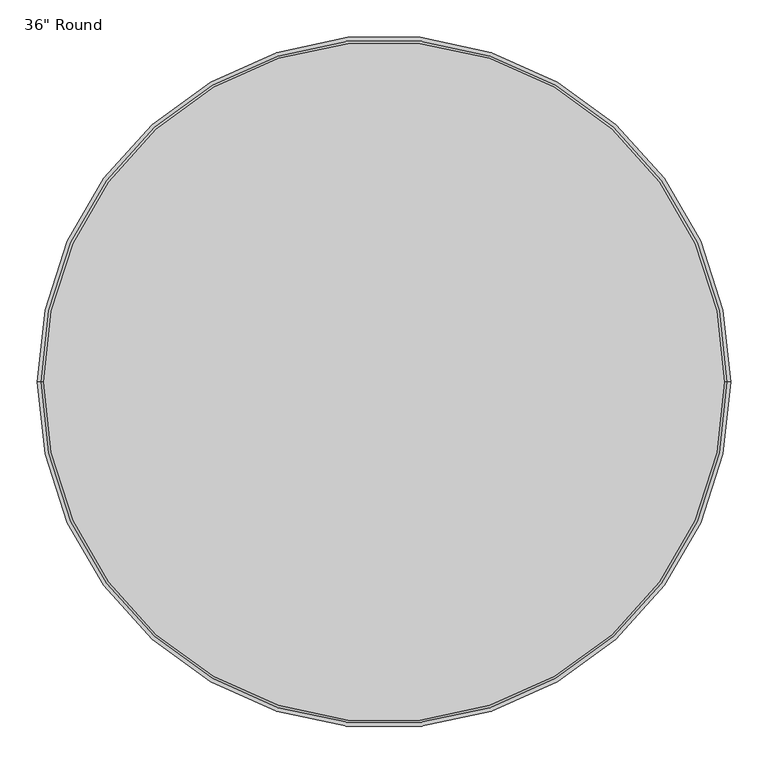
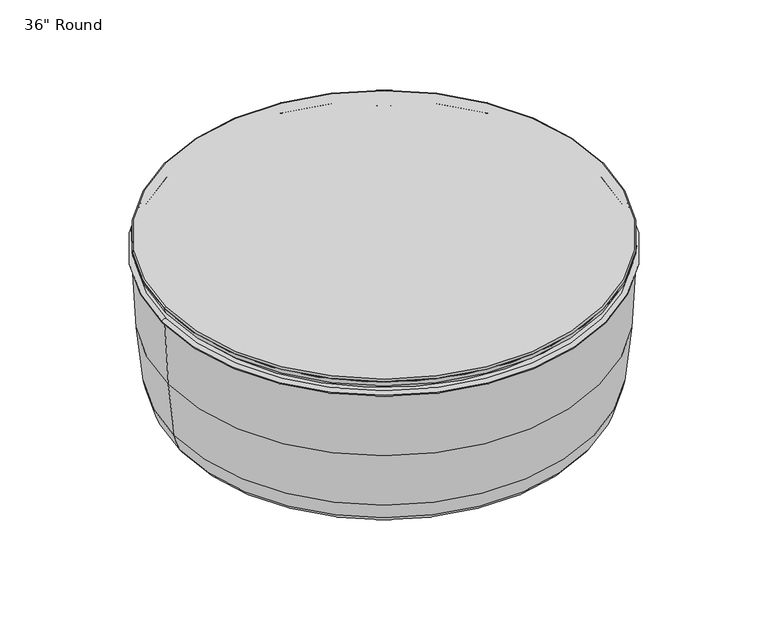
"""IFC4 building model written with IfcOpenShell, lengths in millimetres: furniture geometry."""

import ifcopenshell
import ifcopenshell.guid

model = None  # the IFC model being written
_history = None  # IfcOwnerHistory: only IFC2X3 demands one
_inside = {}  # id of a spatial element -> (the spatial element, [elements in it])
_under = {}  # id of a project, library or spatial element -> (it, [spatial elements below it])
_declared = {}  # id of a project -> (the project, [libraries it declares])
_typed = {}  # id of a type object -> (the type object, [elements of that type])
_made_of = {}  # id of a material, layer set ... -> (it, [elements and type objects made of it])


def new_model(schema):
    """Start an empty IFC model of exactly this schema.

    Asked for "IFC4X3", IfcOpenShell would pick the latest addendum, in which some entities
    have other attributes; the version numbers below select the first issue.
    IFC2X3 requires an IfcOwnerHistory on every rooted entity: one is made here for all.
    """
    global model, _history
    if schema == "IFC4X3":
        model = ifcopenshell.file(schema_version=(4, 3, 0, 0))
    else:
        model = ifcopenshell.file(schema=schema)
    _inside.clear()
    _under.clear()
    _declared.clear()
    _typed.clear()
    _made_of.clear()
    _history = None
    if model.schema == "IFC2X3":
        org = make("IfcOrganization", Name="unknown")
        user = make(
            "IfcPersonAndOrganization",
            ThePerson=make("IfcPerson", FamilyName="unknown"),
            TheOrganization=org,
        )
        app = make(
            "IfcApplication",
            ApplicationDeveloper=org,
            Version="unknown",
            ApplicationFullName="unknown",
            ApplicationIdentifier="unknown",
        )
        _history = make(
            "IfcOwnerHistory",
            OwningUser=user,
            OwningApplication=app,
            ChangeAction="ADDED",
            CreationDate=0,
        )
    return model


def make(cls, **values):
    """One entity of the class cls with the attributes given. An attribute that is None is left unset."""
    return model.create_entity(
        cls, **{name: value for name, value in values.items() if value is not None}
    )


def rooted(cls, **values):
    """An entity with a GlobalId (a new one), such as an element, a storey or a relation."""
    return make(cls, GlobalId=ifcopenshell.guid.new(), OwnerHistory=_history, **values)


def si_unit(unit_type, name, prefix=None):
    """IfcSIUnit, for example si_unit("LENGTHUNIT", "METRE", prefix="MILLI")."""
    return make("IfcSIUnit", UnitType=unit_type, Prefix=prefix, Name=name)


def assignment(units):
    """IfcUnitAssignment: the units of a project."""
    return None if units is None else make("IfcUnitAssignment", Units=units)


def point(xyz):
    """IfcCartesianPoint."""
    return None if xyz is None else make("IfcCartesianPoint", Coordinates=xyz)


def direction(xyz):
    """IfcDirection."""
    return None if xyz is None else make("IfcDirection", DirectionRatios=xyz)


def frame(location, z_axis=None, x_axis=None):
    """IfcAxis2Placement3D, a coordinate frame: its origin and axes. An axis left out is left unset."""
    return make(
        "IfcAxis2Placement3D",
        Location=point(location),
        Axis=direction(z_axis),
        RefDirection=direction(x_axis),
    )


def origin():
    """The frame at (0, 0, 0) with its axes left unset."""
    return frame((0.0, 0.0, 0.0))


def origin_with_axes():
    """The frame at (0, 0, 0) with the z axis (0, 0, 1) and the x axis (1, 0, 0) written out."""
    return frame((0.0, 0.0, 0.0), z_axis=(0.0, 0.0, 1.0), x_axis=(1.0, 0.0, 0.0))


def place(relative_to, where):
    """IfcLocalPlacement: puts the frame where relative to a parent placement (None: the world)."""
    return make(
        "IfcLocalPlacement", PlacementRelTo=relative_to, RelativePlacement=where
    )


def context(
    kind, dimensions, precision=None, world=None, true_north=None, identifier=None
):
    """IfcGeometricRepresentationContext, for example the 3D "Model" context."""
    return make(
        "IfcGeometricRepresentationContext",
        ContextIdentifier=identifier,
        ContextType=kind,
        CoordinateSpaceDimension=dimensions,
        Precision=precision,
        WorldCoordinateSystem=world,
        TrueNorth=true_north,
    )


def project(units=None, contexts=None):
    """IfcProject with its units and contexts."""
    return rooted(
        "IfcProject",
        Name="project",
        RepresentationContexts=contexts,
        UnitsInContext=assignment(units),
    )


def spatial(cls, under=None, at=None, **own):
    """A site, building, storey or space (cls), placed at a placement, below another one or the project."""
    s = rooted(cls, ObjectPlacement=at, **own)
    if under is not None:
        _under.setdefault(under.id(), (under, []))[1].append(s)
    return s


def polyline(points):
    """IfcPolyline through the points."""
    return make("IfcPolyline", Points=[point(p) for p in points])


def circle_curve(where, radius):
    """IfcCircle in the frame where."""
    return make("IfcCircle", Position=where, Radius=radius)


def ellipse_curve(where, semi_axis1, semi_axis2):
    """IfcEllipse in the frame where."""
    return make(
        "IfcEllipse", Position=where, SemiAxis1=semi_axis1, SemiAxis2=semi_axis2
    )


def trimmed(basis, trim1, trim2, sense, master):
    """IfcTrimmedCurve: the piece of a basis curve between two trims."""
    return make(
        "IfcTrimmedCurve",
        BasisCurve=basis,
        Trim1=trim1,
        Trim2=trim2,
        SenseAgreement=sense,
        MasterRepresentation=master,
    )


def shape(context_of_items, identifier, shape_type, items):
    """IfcShapeRepresentation: the items that make up one representation, for example the "Body"."""
    return make(
        "IfcShapeRepresentation",
        ContextOfItems=context_of_items,
        RepresentationIdentifier=identifier,
        RepresentationType=shape_type,
        Items=items,
    )


def source(mapping_origin, context_of_items, identifier, shape_type, items):
    """IfcRepresentationMap: a shape defined once, which mapped items show again and again."""
    return make(
        "IfcRepresentationMap",
        MappingOrigin=mapping_origin,
        MappedRepresentation=shape(context_of_items, identifier, shape_type, items),
    )


def transform(
    local_origin,
    x_axis=None,
    y_axis=None,
    z_axis=None,
    scale=None,
    scale2=None,
    scale3=None,
    uniform=True,
):
    """IfcCartesianTransformationOperator3D, or its non-uniform kind. x_axis, y_axis, z_axis: its Axis1, 2, 3."""
    if uniform:
        return make(
            "IfcCartesianTransformationOperator3D",
            Axis1=direction(x_axis),
            Axis2=direction(y_axis),
            LocalOrigin=point(local_origin),
            Scale=scale,
            Axis3=direction(z_axis),
        )
    return make(
        "IfcCartesianTransformationOperator3DnonUniform",
        Axis1=direction(x_axis),
        Axis2=direction(y_axis),
        LocalOrigin=point(local_origin),
        Scale=scale,
        Axis3=direction(z_axis),
        Scale2=scale2,
        Scale3=scale3,
    )


def mapped(mapping_source, mapping_target):
    """IfcMappedItem: shows the shape of a source again, moved by a transform."""
    return make(
        "IfcMappedItem", MappingSource=mapping_source, MappingTarget=mapping_target
    )


def made_of(thing, what):
    """Note that an element or type object is made of a material, layer set ...; save() writes the relation."""
    if what is not None:
        _made_of.setdefault(what.id(), (what, []))[1].append(thing)
    return thing


def element(
    cls,
    number,
    at=None,
    inside=None,
    cuts=None,
    type_object=None,
    material=None,
    context=None,
    identifier="Body",
    shape_type=None,
    held_by="IfcProductDefinitionShape",
    body=None,
    shapes=None,
    **own,
):
    """One element of the class cls, such as IfcWall. Its Tag is "e" and its number.

    at: its placement. inside: the storey or other place that contains it. cuts: it is an
    opening in that element (IfcRelVoidsElement). A single representation is given by context,
    identifier, shape_type and body (its items); several are given by shapes. held_by: the class
    of the entity that holds the representations. save() writes the other relations.
    """
    e = rooted(cls, Tag="e%d" % number, ObjectPlacement=at, **own)
    if body is not None:
        shapes = [shape(context, identifier, shape_type, body)]
    if shapes is not None:
        e.Representation = make(held_by, Representations=shapes)
    if inside is not None:
        _inside.setdefault(inside.id(), (inside, []))[1].append(e)
    if cuts is not None:
        rooted(
            "IfcRelVoidsElement", RelatingBuildingElement=cuts, RelatedOpeningElement=e
        )
    if type_object is not None:
        _typed.setdefault(type_object.id(), (type_object, []))[1].append(e)
    return made_of(e, material)


def aggregate(whole, parts):
    """IfcRelAggregates: a whole, such as a stair, and the parts it consists of."""
    return rooted("IfcRelAggregates", RelatingObject=whole, RelatedObjects=parts)


def save(model, path):
    """Write the relations noted so far, then the file.

    IfcRelAggregates (storeys below a building ...), IfcRelContainedInSpatialStructure (elements
    in a storey), IfcRelDefinesByType, IfcRelAssociatesMaterial and IfcRelDeclares: one each for
    every whole, place, type object, material and project.
    """
    for whole, parts in _under.values():
        aggregate(whole, parts)
    for where, things in _inside.values():
        rooted(
            "IfcRelContainedInSpatialStructure",
            RelatedElements=things,
            RelatingStructure=where,
        )
    for kind, things in _typed.values():
        rooted("IfcRelDefinesByType", RelatedObjects=things, RelatingType=kind)
    for what, things in _made_of.values():
        rooted("IfcRelAssociatesMaterial", RelatedObjects=things, RelatingMaterial=what)
    for by, libraries in _declared.values():
        rooted("IfcRelDeclares", RelatingContext=by, RelatedDefinitions=libraries)
    model.write(path)


def plane_surface(at):
    """IfcPlane: the flat surface through the origin of the frame at, square to its z axis."""
    return make("IfcPlane", Position=at)


def cylinder_surface(at, radius):
    """IfcCylindricalSurface: all points at the distance radius from the z axis of the frame at."""
    return make("IfcCylindricalSurface", Position=at, Radius=radius)


def revolved_surface(curve, axis_point, axis_direction):
    """IfcSurfaceOfRevolution: the curve turned about the line through axis_point along axis_direction."""
    return make(
        "IfcSurfaceOfRevolution",
        SweptCurve=make("IfcArbitraryOpenProfileDef", ProfileType="CURVE", Curve=curve),
        AxisPosition=make("IfcAxis1Placement", Location=point(axis_point), Axis=direction(axis_direction)),
    )


def advanced_brep(points, edges, surfaces, faces):
    """IfcAdvancedBrep: a solid bounded by faces that lie on surfaces and meet in shared edges.

    An edge is (start, end): straight between two places in points (the first is 0);
    or (start, end, curve); or (start, end, curve, False) where it runs against its curve.
    A face is (place in surfaces, loops), or (place, loops, False) where it looks against
    its surface's normal. A loop lists edges by number (the first is 1), with a minus sign
    where the edge is run from its end to its start. The first loop is the outer one.
    """
    corners = [point(p) for p in points]
    vertices = [make("IfcVertexPoint", VertexGeometry=c) for c in corners]
    made = []
    for start, end, *more in edges:
        made.append(
            make(
                "IfcEdgeCurve",
                EdgeStart=vertices[start],
                EdgeEnd=vertices[end],
                EdgeGeometry=more[0] if more else make("IfcPolyline", Points=[corners[start], corners[end]]),
                SameSense=more[1] if len(more) > 1 else True,
            )
        )
    hull = []
    for where, loops, *sense in faces:
        bounds = []
        for j, loop in enumerate(loops):
            ring = [make("IfcOrientedEdge", EdgeElement=made[abs(k) - 1], Orientation=k > 0) for k in loop]
            bounds.append(
                make(
                    "IfcFaceOuterBound" if j == 0 else "IfcFaceBound",
                    Bound=make("IfcEdgeLoop", EdgeList=ring),
                    Orientation=True,
                )
            )
        hull.append(make("IfcAdvancedFace", Bounds=bounds, FaceSurface=surfaces[where], SameSense=sense[0] if sense else True))
    return make("IfcAdvancedBrep", Outer=make("IfcClosedShell", CfsFaces=hull))


def furniture_8a35ef98(model_context):
    return source(origin(), model_context, "Body", "AdvancedBrep", [
        advanced_brep(
        [(-454.025, 0.0, 370.0), (454.025, 0.0, 370.0), (430.85, 0.0, 335.0184302), (-430.85, 0.0, 335.0184302), (437.2, 0.0, 350.0), (-437.2, 0.0, 350.0), (-437.2, 0.0, 340.0), (437.2, 0.0, 340.0), (457.2, 0.0, 365.875), (-457.2, 0.0, 365.875), (-441.325, 0.0, 350.0), (441.325, 0.0, 350.0), (457.2, 0.0, 366.825), (-457.2, 0.0, 366.825), (430.85, 0.0, 340.0), (-430.85, 0.0, 340.0)],
        [
            (0, 1, circle_curve(frame((0.0, 0.0, 370.0), z_axis=(0.0, 0.0, 1.0), x_axis=(-1.0, 0.0, 0.0)), 454.025)),
            (1, 0, circle_curve(frame((0.0, 0.0, 370.0), z_axis=(0.0, 0.0, 1.0), x_axis=(1.0, 0.0, 0.0)), 454.025)),
            (2, 3, circle_curve(frame((0.0, 0.0, 335.0184302), z_axis=(0.0, 0.0, -1.0), x_axis=(1.0, 0.0, 0.0)), 430.85)),
            (3, 2, circle_curve(frame((0.0, 0.0, 335.0184302), z_axis=(0.0, 0.0, -1.0), x_axis=(1.0, 0.0, 0.0)), 430.85)),
            (4, 5, circle_curve(frame((0.0, 0.0, 350.0), z_axis=(0.0, 0.0, -1.0), x_axis=(-1.0, 0.0, 0.0)), 437.2)),
            (5, 6),
            (6, 7, circle_curve(frame((0.0, 0.0, 340.0), z_axis=(0.0, 0.0, 1.0), x_axis=(-1.0, 0.0, 0.0)), 437.2)),
            (7, 4),
            (8, 9, circle_curve(frame((0.0, 0.0, 365.875), z_axis=(0.0, 0.0, -1.0), x_axis=(-1.0, 0.0, 0.0)), 457.2)),
            (9, 10, circle_curve(frame((-441.325, 0.0, 365.875), z_axis=(0.0, -1.0, 0.0), x_axis=(1.0, 0.0, 0.0)), 15.875)),
            (10, 11, circle_curve(frame((0.0, 0.0, 350.0), z_axis=(0.0, 0.0, 1.0), x_axis=(-1.0, 0.0, 0.0)), 441.325)),
            (11, 8, circle_curve(frame((441.325, 0.0, 365.875), z_axis=(0.0, -1.0, 0.0), x_axis=(-1.0, 0.0, 0.0)), 15.875)),
            (8, 12),
            (12, 13, circle_curve(frame((0.0, 0.0, 366.825), z_axis=(0.0, 0.0, -1.0), x_axis=(-1.0, 0.0, 0.0)), 457.2)),
            (13, 9),
            (12, 1, circle_curve(frame((454.025, 0.0, 366.825), z_axis=(0.0, -1.0, 0.0), x_axis=(-1.0, 0.0, 0.0)), 3.175)),
            (0, 13, circle_curve(frame((-454.025, 0.0, 366.825), z_axis=(0.0, -1.0, 0.0), x_axis=(1.0, 0.0, 0.0)), 3.175)),
            (5, 4, circle_curve(frame((0.0, 0.0, 350.0), z_axis=(0.0, 0.0, -1.0), x_axis=(1.0, 0.0, 0.0)), 437.2)),
            (7, 6, circle_curve(frame((0.0, 0.0, 340.0), z_axis=(0.0, 0.0, 1.0), x_axis=(1.0, 0.0, 0.0)), 437.2)),
            (10, 11, circle_curve(frame((0.0, 0.0, 350.0), z_axis=(0.0, 0.0, -1.0), x_axis=(1.0, 0.0, 0.0)), 441.325)),
            (9, 8, circle_curve(frame((0.0, 0.0, 365.875), z_axis=(0.0, 0.0, -1.0), x_axis=(1.0, 0.0, 0.0)), 457.2)),
            (13, 12, circle_curve(frame((0.0, 0.0, 366.825), z_axis=(0.0, 0.0, -1.0), x_axis=(1.0, 0.0, 0.0)), 457.2)),
            (14, 15, circle_curve(frame((0.0, 0.0, 340.0), z_axis=(0.0, 0.0, 1.0), x_axis=(1.0, 0.0, 0.0)), 430.85)),
            (15, 14, circle_curve(frame((0.0, 0.0, 340.0), z_axis=(0.0, 0.0, 1.0), x_axis=(1.0, 0.0, 0.0)), 430.85)),
            (3, 15),
            (14, 2),
        ],
        [
            plane_surface(frame((430.85, 0.0, 370.0), z_axis=(0.0, 0.0, 1.0), x_axis=(0.0, 1.0, 0.0))),
            plane_surface(frame((430.85, 0.0, 335.0184302), z_axis=(0.0, 0.0, -1.0), x_axis=(0.0, -1.0, 0.0))),
            cylinder_surface(frame((0.0, 0.0, 0.0), z_axis=(0.0, 0.0, 1.0), x_axis=(-1.0, 0.0, 0.0)), 437.2),
            revolved_surface(trimmed(ellipse_curve(frame((-441.325, 0.0, 365.875), z_axis=(0.0, 1.0, 0.0), x_axis=(1.0, 0.0, 0.0)), 15.875, 15.875), [point((-441.325, 0.0, 350.0))], [point((-457.2, 0.0, 365.875))], True, "CARTESIAN"), (0.0, 0.0, 0.0), (0.0, 0.0, 1.0)),
            cylinder_surface(frame((0.0, 0.0, 0.0), z_axis=(0.0, 0.0, 1.0), x_axis=(-1.0, 0.0, 0.0)), 457.2),
            revolved_surface(trimmed(ellipse_curve(frame((-454.025, 0.0, 366.825), z_axis=(0.0, 1.0, 0.0), x_axis=(1.0, 0.0, 0.0)), 3.175, 3.175), [point((-457.2, 0.0, 366.825))], [point((-454.025, 0.0, 370.0))], True, "CARTESIAN"), (0.0, 0.0, 0.0), (0.0, 0.0, 1.0)),
            cylinder_surface(origin_with_axes(), 437.2),
            plane_surface(frame((0.0, 0.0, 350.0), z_axis=(0.0, 0.0, -1.0), x_axis=(1.0, 0.0, 0.0))),
            revolved_surface(trimmed(ellipse_curve(frame((441.325, 0.0, 365.875), z_axis=(0.0, -1.0, 0.0), x_axis=(-1.0, 0.0, 0.0)), 15.875, 15.875), [point((441.325, 0.0, 350.0))], [point((457.2, 0.0, 365.875))], True, "CARTESIAN"), (0.0, 0.0, 0.0), (0.0, 0.0, 1.0)),
            cylinder_surface(origin_with_axes(), 457.2),
            revolved_surface(trimmed(ellipse_curve(frame((454.025, 0.0, 366.825), z_axis=(0.0, -1.0, 0.0), x_axis=(-1.0, 0.0, 0.0)), 3.175, 3.175), [point((457.2, 0.0, 366.825))], [point((454.025, 0.0, 370.0))], True, "CARTESIAN"), (0.0, 0.0, 0.0), (0.0, 0.0, 1.0)),
            plane_surface(frame((0.0, 0.0, 340.0), z_axis=(0.0, 0.0, -1.0), x_axis=(1.0, 0.0, 0.0))),
            cylinder_surface(frame((0.0, 0.0, 335.0184302), z_axis=(0.0, 0.0, 1.0), x_axis=(1.0, 0.0, 0.0)), 430.85),
        ],
        [
            (0, [[1, 2]]),
            (1, [[3, 4]]),
            (2, [[5, 6, 7, 8]]),
            (3, [[9, 10, 11, 12]]),
            (4, [[-9, 13, 14, 15]]),
            (5, [[-14, 16, -1, 17]]),
            (6, [[-6, 18, -8, 19]]),
            (7, [[-11, 20], [-5, -18]]),
            (8, [[-10, 21, -12, -20]]),
            (9, [[-15, 22, -13, -21]]),
            (10, [[-17, -2, -16, -22]]),
            (11, [[-7, -19], [23, 24]]),
            (12, [[-4, 25, -23, 26]]),
            (12, [[-3, -26, -24, -25]]),
        ],
    ),
        advanced_brep(
        [(-300.0089309, 37.5021936, 25.0), (-300.0089309, -37.5021936, 25.0), (-300.0089309, 0.0, 25.0), (-300.0089309, 37.5021936, 10.0663568), (-300.0089309, -37.5021936, 10.0663568), (-300.0089309, 27.4358368, 0.0), (-300.0089309, -27.4358368, 0.0), (-300.0089309, 0.0, 0.0)],
        [
            (0, 1, circle_curve(frame((-300.0089309, 0.0, 25.0), z_axis=(0.0, 0.0, 1.0), x_axis=(0.0, -1.0, 0.0)), 37.5021936)),
            (1, 2),
            (2, 0),
            (1, 0, circle_curve(frame((-300.0089309, 0.0, 25.0), z_axis=(0.0, 0.0, 1.0), x_axis=(0.0, -1.0, 0.0)), 37.5021936)),
            (3, 4, circle_curve(frame((-300.0089309, 0.0, 10.0663568), z_axis=(0.0, 0.0, 1.0), x_axis=(0.0, -1.0, 0.0)), 37.5021936)),
            (4, 1),
            (0, 3),
            (4, 3, circle_curve(frame((-300.0089309, 0.0, 10.0663568), z_axis=(0.0, 0.0, 1.0), x_axis=(0.0, -1.0, 0.0)), 37.5021936)),
            (5, 6, circle_curve(frame((-300.0089309, 0.0, 0.0), z_axis=(0.0, 0.0, 1.0), x_axis=(0.0, -1.0, 0.0)), 27.4358368)),
            (6, 4, circle_curve(frame((-300.0089309, -27.4358368, 10.0663568), z_axis=(-1.0, 0.0, 0.0), x_axis=(0.0, -1.0, 0.0)), 10.0663568)),
            (3, 5, circle_curve(frame((-300.0089309, 27.4358368, 10.0663568), z_axis=(-1.0, 0.0, 0.0), x_axis=(0.0, 1.0, 0.0)), 10.0663568)),
            (6, 5, circle_curve(frame((-300.0089309, 0.0, 0.0), z_axis=(0.0, 0.0, 1.0), x_axis=(0.0, -1.0, 0.0)), 27.4358368)),
            (7, 6),
            (5, 7),
        ],
        [
            plane_surface(frame((-300.0089309, 0.0, 25.0), z_axis=(0.0, 0.0, 1.0), x_axis=(0.0, -1.0, 0.0))),
            cylinder_surface(frame((-300.0089309, 0.0, 25.0), z_axis=(0.0, 0.0, -1.0), x_axis=(0.0, -1.0, 0.0)), 37.5021936),
            revolved_surface(trimmed(ellipse_curve(frame((-300.0089309, -27.4358368, 10.0663568), z_axis=(1.0, 0.0, 0.0), x_axis=(0.0, -1.0, 0.0)), 10.0663568, 10.0663568), [point((-300.0089309, -37.5021936, 10.0663568))], [point((-300.0089309, -27.4358368, 0.0))], True, "CARTESIAN"), (-300.0089309, 0.0, 25.0), (0.0, 0.0, -1.0)),
            plane_surface(frame((-300.0089309, 0.0, 0.0), z_axis=(0.0, 0.0, -1.0), x_axis=(0.0, -1.0, 0.0))),
        ],
        [
            (0, [[1, 2, 3]]),
            (0, [[4, -3, -2]]),
            (1, [[5, 6, -1, 7]]),
            (1, [[8, -7, -4, -6]]),
            (2, [[9, 10, -5, 11]]),
            (2, [[12, -11, -8, -10]]),
            (3, [[13, -9, 14]]),
            (3, [[-14, -12, -13]]),
        ],
    ),
        advanced_brep(
        [(300.0089309, 0.0, 25.0), (300.0089309, -37.5021936, 25.0), (300.0089309, 37.5021936, 25.0), (300.0089309, -37.5021936, 10.0663568), (300.0089309, 37.5021936, 10.0663568), (300.0089309, -27.4358368, 0.0), (300.0089309, 27.4358368, 0.0), (300.0089309, 0.0, 0.0)],
        [
            (0, 1),
            (1, 2, circle_curve(frame((300.0089309, 0.0, 25.0), z_axis=(0.0, 0.0, 1.0), x_axis=(0.0, -1.0, 0.0)), 37.5021936)),
            (2, 0),
            (2, 1, circle_curve(frame((300.0089309, 0.0, 25.0), z_axis=(0.0, 0.0, 1.0), x_axis=(0.0, -1.0, 0.0)), 37.5021936)),
            (1, 3),
            (3, 4, circle_curve(frame((300.0089309, 0.0, 10.0663568), z_axis=(0.0, 0.0, 1.0), x_axis=(0.0, -1.0, 0.0)), 37.5021936)),
            (4, 2),
            (4, 3, circle_curve(frame((300.0089309, 0.0, 10.0663568), z_axis=(0.0, 0.0, 1.0), x_axis=(0.0, -1.0, 0.0)), 37.5021936)),
            (3, 5, circle_curve(frame((300.0089309, -27.4358368, 10.0663568), z_axis=(1.0, 0.0, 0.0), x_axis=(0.0, -1.0, 0.0)), 10.0663568)),
            (5, 6, circle_curve(frame((300.0089309, 0.0, 0.0), z_axis=(0.0, 0.0, 1.0), x_axis=(0.0, -1.0, 0.0)), 27.4358368)),
            (6, 4, circle_curve(frame((300.0089309, 27.4358368, 10.0663568), z_axis=(1.0, 0.0, 0.0), x_axis=(0.0, 1.0, 0.0)), 10.0663568)),
            (6, 5, circle_curve(frame((300.0089309, 0.0, 0.0), z_axis=(0.0, 0.0, 1.0), x_axis=(0.0, -1.0, 0.0)), 27.4358368)),
            (5, 7),
            (7, 6),
        ],
        [
            plane_surface(frame((300.0089309, 0.0, 25.0), z_axis=(0.0, 0.0, 1.0), x_axis=(0.0, -1.0, 0.0))),
            cylinder_surface(frame((300.0089309, 0.0, 25.0), z_axis=(0.0, 0.0, 1.0), x_axis=(0.0, -1.0, 0.0)), 37.5021936),
            revolved_surface(trimmed(ellipse_curve(frame((300.0089309, -27.4358368, 10.0663568), z_axis=(-1.0, 0.0, 0.0), x_axis=(0.0, -1.0, 0.0)), 10.0663568, 10.0663568), [point((300.0089309, -27.4358368, 0.0))], [point((300.0089309, -37.5021936, 10.0663568))], True, "CARTESIAN"), (300.0089309, 0.0, 25.0), (0.0, 0.0, 1.0)),
            plane_surface(frame((300.0089309, 0.0, 0.0), z_axis=(0.0, 0.0, -1.0), x_axis=(0.0, -1.0, 0.0))),
        ],
        [
            (0, [[1, 2, 3]]),
            (0, [[-3, 4, -1]]),
            (1, [[-2, 5, 6, 7]]),
            (1, [[-4, -7, 8, -5]]),
            (2, [[-6, 9, 10, 11]]),
            (2, [[-8, -11, 12, -9]]),
            (3, [[-10, 13, 14]]),
            (3, [[-12, -14, -13]]),
        ],
    ),
        advanced_brep(
        [(37.5021936, 300.0089309, 25.0), (-37.5021936, 300.0089309, 25.0), (0.0, 300.0089309, 25.0), (37.5021936, 300.0089309, 10.0663568), (-37.5021936, 300.0089309, 10.0663568), (27.4358368, 300.0089309, 0.0), (-27.4358368, 300.0089309, 0.0), (0.0, 300.0089309, 0.0)],
        [
            (0, 1, circle_curve(frame((0.0, 300.0089309, 25.0), z_axis=(0.0, 0.0, 1.0), x_axis=(-1.0, 0.0, 0.0)), 37.5021936)),
            (1, 2),
            (2, 0),
            (1, 0, circle_curve(frame((0.0, 300.0089309, 25.0), z_axis=(0.0, 0.0, 1.0), x_axis=(-1.0, 0.0, 0.0)), 37.5021936)),
            (3, 4, circle_curve(frame((0.0, 300.0089309, 10.0663568), z_axis=(0.0, 0.0, 1.0), x_axis=(-1.0, 0.0, 0.0)), 37.5021936)),
            (4, 1),
            (0, 3),
            (4, 3, circle_curve(frame((0.0, 300.0089309, 10.0663568), z_axis=(0.0, 0.0, 1.0), x_axis=(-1.0, 0.0, 0.0)), 37.5021936)),
            (5, 6, circle_curve(frame((0.0, 300.0089309, 0.0), z_axis=(0.0, 0.0, 1.0), x_axis=(-1.0, 0.0, 0.0)), 27.4358368)),
            (6, 4, circle_curve(frame((-27.4358368, 300.0089309, 10.0663568), z_axis=(0.0, 1.0, 0.0), x_axis=(-1.0, 0.0, 0.0)), 10.0663568)),
            (3, 5, circle_curve(frame((27.4358368, 300.0089309, 10.0663568), z_axis=(0.0, 1.0, 0.0), x_axis=(1.0, 0.0, 0.0)), 10.0663568)),
            (6, 5, circle_curve(frame((0.0, 300.0089309, 0.0), z_axis=(0.0, 0.0, 1.0), x_axis=(-1.0, 0.0, 0.0)), 27.4358368)),
            (7, 6),
            (5, 7),
        ],
        [
            plane_surface(frame((0.0, 300.0089309, 25.0), z_axis=(0.0, 0.0, 1.0), x_axis=(-1.0, 0.0, 0.0))),
            cylinder_surface(frame((0.0, 300.0089309, 25.0), z_axis=(0.0, 0.0, -1.0), x_axis=(-1.0, 0.0, 0.0)), 37.5021936),
            revolved_surface(trimmed(ellipse_curve(frame((-27.4358368, 300.0089309, 10.0663568), z_axis=(0.0, -1.0, 0.0), x_axis=(-1.0, 0.0, 0.0)), 10.0663568, 10.0663568), [point((-37.5021936, 300.0089309, 10.0663568))], [point((-27.4358368, 300.0089309, 0.0))], True, "CARTESIAN"), (0.0, 300.0089309, 25.0), (0.0, 0.0, -1.0)),
            plane_surface(frame((0.0, 300.0089309, 0.0), z_axis=(0.0, 0.0, -1.0), x_axis=(-1.0, 0.0, 0.0))),
        ],
        [
            (0, [[1, 2, 3]]),
            (0, [[4, -3, -2]]),
            (1, [[5, 6, -1, 7]]),
            (1, [[8, -7, -4, -6]]),
            (2, [[9, 10, -5, 11]]),
            (2, [[12, -11, -8, -10]]),
            (3, [[13, -9, 14]]),
            (3, [[-14, -12, -13]]),
        ],
    ),
        advanced_brep(
        [(0.0, -300.0089309, 25.0), (-37.5021936, -300.0089309, 25.0), (37.5021936, -300.0089309, 25.0), (-37.5021936, -300.0089309, 10.0663568), (37.5021936, -300.0089309, 10.0663568), (-27.4358368, -300.0089309, 0.0), (27.4358368, -300.0089309, 0.0), (0.0, -300.0089309, 0.0)],
        [
            (0, 1),
            (1, 2, circle_curve(frame((0.0, -300.0089309, 25.0), z_axis=(0.0, 0.0, 1.0), x_axis=(-1.0, 0.0, 0.0)), 37.5021936)),
            (2, 0),
            (2, 1, circle_curve(frame((0.0, -300.0089309, 25.0), z_axis=(0.0, 0.0, 1.0), x_axis=(-1.0, 0.0, 0.0)), 37.5021936)),
            (1, 3),
            (3, 4, circle_curve(frame((0.0, -300.0089309, 10.0663568), z_axis=(0.0, 0.0, 1.0), x_axis=(-1.0, 0.0, 0.0)), 37.5021936)),
            (4, 2),
            (4, 3, circle_curve(frame((0.0, -300.0089309, 10.0663568), z_axis=(0.0, 0.0, 1.0), x_axis=(-1.0, 0.0, 0.0)), 37.5021936)),
            (3, 5, circle_curve(frame((-27.4358368, -300.0089309, 10.0663568), z_axis=(0.0, -1.0, 0.0), x_axis=(-1.0, 0.0, 0.0)), 10.0663568)),
            (5, 6, circle_curve(frame((0.0, -300.0089309, 0.0), z_axis=(0.0, 0.0, 1.0), x_axis=(-1.0, 0.0, 0.0)), 27.4358368)),
            (6, 4, circle_curve(frame((27.4358368, -300.0089309, 10.0663568), z_axis=(0.0, -1.0, 0.0), x_axis=(1.0, 0.0, 0.0)), 10.0663568)),
            (6, 5, circle_curve(frame((0.0, -300.0089309, 0.0), z_axis=(0.0, 0.0, 1.0), x_axis=(-1.0, 0.0, 0.0)), 27.4358368)),
            (5, 7),
            (7, 6),
        ],
        [
            plane_surface(frame((0.0, -300.0089309, 25.0), z_axis=(0.0, 0.0, 1.0), x_axis=(-1.0, 0.0, 0.0))),
            cylinder_surface(frame((0.0, -300.0089309, 25.0), z_axis=(0.0, 0.0, 1.0), x_axis=(-1.0, 0.0, 0.0)), 37.5021936),
            revolved_surface(trimmed(ellipse_curve(frame((-27.4358368, -300.0089309, 10.0663568), z_axis=(0.0, 1.0, 0.0), x_axis=(-1.0, 0.0, 0.0)), 10.0663568, 10.0663568), [point((-27.4358368, -300.0089309, 0.0))], [point((-37.5021936, -300.0089309, 10.0663568))], True, "CARTESIAN"), (0.0, -300.0089309, 25.0), (0.0, 0.0, 1.0)),
            plane_surface(frame((0.0, -300.0089309, 0.0), z_axis=(0.0, 0.0, -1.0), x_axis=(-1.0, 0.0, 0.0))),
        ],
        [
            (0, [[1, 2, 3]]),
            (0, [[-3, 4, -1]]),
            (1, [[-2, 5, 6, 7]]),
            (1, [[-4, -7, 8, -5]]),
            (2, [[-6, 9, 10, 11]]),
            (2, [[-8, -11, 12, -9]]),
            (3, [[-10, 13, 14]]),
            (3, [[-12, -14, -13]]),
        ],
    ),
        advanced_brep(
        [(-462.1938413, 0.0, 340.0122715), (462.1938413, 0.0, 340.0122715), (452.2061587, 0.0, 340.0122715), (-452.2061587, 0.0, 340.0122715)],
        [
            (0, 1, circle_curve(frame((0.0, 0.0, 340.0122715), z_axis=(0.0, 0.0, 1.0), x_axis=(1.0, 0.0, 0.0)), 462.1938413)),
            (1, 2, circle_curve(frame((457.2, 0.0, 340.0122715), z_axis=(0.0, -1.0, 0.0), x_axis=(1.0, 0.0, 0.0)), 4.9938413)),
            (2, 3, circle_curve(frame((0.0, 0.0, 340.0122715), z_axis=(0.0, 0.0, -1.0), x_axis=(1.0, 0.0, 0.0)), 452.2061587)),
            (3, 0, circle_curve(frame((-457.2, 0.0, 340.0122715), z_axis=(0.0, -1.0, 0.0), x_axis=(-1.0, 0.0, 0.0)), 4.9938413)),
            (2, 1, circle_curve(frame((457.2, 0.0, 340.0122715), z_axis=(0.0, -1.0, 0.0), x_axis=(1.0, 0.0, 0.0)), 4.9938413)),
            (0, 3, circle_curve(frame((-457.2, 0.0, 340.0122715), z_axis=(0.0, -1.0, 0.0), x_axis=(-1.0, 0.0, 0.0)), 4.9938413)),
            (1, 0, circle_curve(frame((0.0, 0.0, 340.0122715), z_axis=(0.0, 0.0, 1.0), x_axis=(-1.0, 0.0, 0.0)), 462.1938413)),
            (3, 2, circle_curve(frame((0.0, 0.0, 340.0122715), z_axis=(0.0, 0.0, -1.0), x_axis=(-1.0, 0.0, 0.0)), 452.2061587)),
        ],
        [
            revolved_surface(trimmed(ellipse_curve(frame((457.2, 0.0, 340.0122715), z_axis=(0.0, 1.0, 0.0), x_axis=(1.0, 0.0, 0.0)), 4.9938413, 4.9938413), [point((452.2061587, 0.0, 340.0122715))], [point((462.1938413, 0.0, 340.0122715))], True, "CARTESIAN"), (0.0, 0.0, 335.0184302), (0.0, 0.0, -1.0)),
            revolved_surface(trimmed(ellipse_curve(frame((457.2, 0.0, 340.0122715), z_axis=(0.0, 1.0, 0.0), x_axis=(1.0, 0.0, 0.0)), 4.9938413, 4.9938413), [point((462.1938413, 0.0, 340.0122715))], [point((452.2061587, 0.0, 340.0122715))], True, "CARTESIAN"), (0.0, 0.0, 335.0184302), (0.0, 0.0, -1.0)),
            revolved_surface(trimmed(ellipse_curve(frame((-457.2, 0.0, 340.0122715), z_axis=(0.0, -1.0, 0.0), x_axis=(-1.0, 0.0, 0.0)), 4.9938413, 4.9938413), [point((-452.2061587, 0.0, 340.0122715))], [point((-462.1938413, 0.0, 340.0122715))], True, "CARTESIAN"), (0.0, 0.0, 335.0184302), (0.0, 0.0, -1.0)),
            revolved_surface(trimmed(ellipse_curve(frame((-457.2, 0.0, 340.0122715), z_axis=(0.0, -1.0, 0.0), x_axis=(-1.0, 0.0, 0.0)), 4.9938413, 4.9938413), [point((-462.1938413, 0.0, 340.0122715))], [point((-452.2061587, 0.0, 340.0122715))], True, "CARTESIAN"), (0.0, 0.0, 335.0184302), (0.0, 0.0, -1.0)),
        ],
        [
            (0, [[1, 2, 3, 4]]),
            (1, [[-3, 5, -1, 6]]),
            (2, [[7, -4, 8, -2]]),
            (3, [[-8, -6, -7, -5]]),
        ],
    ),
        advanced_brep(
        [(-457.2, 0.0, 335.0184302), (457.2, 0.0, 335.0184302), (393.4426503, 0.0, 25.0), (-393.4426503, 0.0, 25.0), (424.2440593, 0.0, 43.3583127), (-424.2440593, 0.0, 43.3583127), (437.0735206, 0.0, 80.616943), (-437.0735206, 0.0, 80.616943), (450.0139166, 0.0, 197.89979), (-450.0139166, 0.0, 197.89979)],
        [
            (0, 1, circle_curve(frame((0.0, 0.0, 335.0184302), z_axis=(0.0, 0.0, 1.0), x_axis=(-1.0, 0.0, 0.0)), 457.2)),
            (1, 0, circle_curve(frame((0.0, 0.0, 335.0184302), z_axis=(0.0, 0.0, 1.0), x_axis=(1.0, 0.0, 0.0)), 457.2)),
            (2, 3, circle_curve(frame((0.0, 0.0, 25.0), z_axis=(0.0, 0.0, -1.0), x_axis=(-1.0, 0.0, 0.0)), 393.4426503)),
            (3, 2, circle_curve(frame((0.0, 0.0, 25.0), z_axis=(0.0, 0.0, -1.0), x_axis=(1.0, 0.0, 0.0)), 393.4426503)),
            (4, 5, circle_curve(frame((0.0, 0.0, 43.3583127), z_axis=(0.0, 0.0, -1.0), x_axis=(-1.0, 0.0, 0.0)), 424.2440593)),
            (5, 3, circle_curve(frame((-393.4426503, 0.0, 60.0183174), z_axis=(0.0, -1.0, 0.0), x_axis=(1.0, 0.0, 0.0)), 35.0183174)),
            (2, 4, circle_curve(frame((393.4426503, 0.0, 60.0183174), z_axis=(0.0, -1.0, 0.0), x_axis=(-1.0, 0.0, 0.0)), 35.0183174)),
            (4, 6, circle_curve(frame((318.2241303, 0.0, 100.7028492), z_axis=(0.0, -1.0, 0.0), x_axis=(-1.0, 0.0, 0.0)), 120.5347303)),
            (6, 7, circle_curve(frame((0.0, 0.0, 80.616943), z_axis=(0.0, 0.0, -1.0), x_axis=(-1.0, 0.0, 0.0)), 437.0735206)),
            (7, 5, circle_curve(frame((-318.2241303, 0.0, 100.7028492), z_axis=(0.0, -1.0, 0.0), x_axis=(1.0, 0.0, 0.0)), 120.5347303)),
            (6, 8, circle_curve(frame((-574.6403462, 0.0, 251.5996445), z_axis=(0.0, -1.0, 0.0), x_axis=(-1.0, 0.0, 0.0)), 1026.0604429)),
            (8, 9, circle_curve(frame((0.0, 0.0, 197.89979), z_axis=(0.0, 0.0, -1.0), x_axis=(-1.0, 0.0, 0.0)), 450.0139166)),
            (9, 7, circle_curve(frame((574.6403462, 0.0, 251.5996445), z_axis=(0.0, -1.0, 0.0), x_axis=(1.0, 0.0, 0.0)), 1026.0604429)),
            (8, 1),
            (0, 9),
            (5, 4, circle_curve(frame((0.0, 0.0, 43.3583127), z_axis=(0.0, 0.0, -1.0), x_axis=(1.0, 0.0, 0.0)), 424.2440593)),
            (7, 6, circle_curve(frame((0.0, 0.0, 80.616943), z_axis=(0.0, 0.0, -1.0), x_axis=(1.0, 0.0, 0.0)), 437.0735206)),
            (9, 8, circle_curve(frame((0.0, 0.0, 197.89979), z_axis=(0.0, 0.0, -1.0), x_axis=(1.0, 0.0, 0.0)), 450.0139166)),
        ],
        [
            plane_surface(frame((382.2, 0.0, 335.0184302), z_axis=(0.0, 0.0, 1.0), x_axis=(0.0, 1.0, 0.0))),
            plane_surface(frame((382.2, 0.0, 25.0), z_axis=(0.0, 0.0, -1.0), x_axis=(0.0, -1.0, 0.0))),
            revolved_surface(trimmed(ellipse_curve(frame((-393.4426503, 0.0, 60.0183174), z_axis=(0.0, 1.0, 0.0), x_axis=(1.0, 0.0, 0.0)), 35.0183174, 35.0183174), [point((-393.4426503, 0.0, 25.0))], [point((-424.2440593, 0.0, 43.3583127))], True, "CARTESIAN"), (0.0, 0.0, 0.0), (0.0, 0.0, 1.0)),
            revolved_surface(trimmed(ellipse_curve(frame((-318.2241303, 0.0, 100.7028492), z_axis=(0.0, 1.0, 0.0), x_axis=(1.0, 0.0, 0.0)), 120.5347303, 120.5347303), [point((-424.2440593, 0.0, 43.3583127))], [point((-437.0735206, 0.0, 80.616943))], True, "CARTESIAN"), (0.0, 0.0, 0.0), (0.0, 0.0, 1.0)),
            revolved_surface(trimmed(ellipse_curve(frame((574.6403462, 0.0, 251.5996445), z_axis=(0.0, 1.0, 0.0), x_axis=(1.0, 0.0, 0.0)), 1026.0604429, 1026.0604429), [point((-437.0735206, 0.0, 80.616943))], [point((-450.0139166, 0.0, 197.89979))], True, "CARTESIAN"), (0.0, 0.0, 0.0), (0.0, 0.0, 1.0)),
            revolved_surface(polyline([(-450.0139166, 0.0, 197.89979), (-457.2, 0.0, 335.0184302)]), (0.0, 0.0, 0.0), (0.0, 0.0, 1.0)),
            revolved_surface(trimmed(ellipse_curve(frame((393.4426503, 0.0, 60.0183174), z_axis=(0.0, -1.0, 0.0), x_axis=(-1.0, 0.0, 0.0)), 35.0183174, 35.0183174), [point((393.4426503, 0.0, 25.0))], [point((424.2440593, 0.0, 43.3583127))], True, "CARTESIAN"), (0.0, 0.0, 0.0), (0.0, 0.0, 1.0)),
            revolved_surface(trimmed(ellipse_curve(frame((318.2241303, 0.0, 100.7028492), z_axis=(0.0, -1.0, 0.0), x_axis=(-1.0, 0.0, 0.0)), 120.5347303, 120.5347303), [point((424.2440593, 0.0, 43.3583127))], [point((437.0735206, 0.0, 80.616943))], True, "CARTESIAN"), (0.0, 0.0, 0.0), (0.0, 0.0, 1.0)),
            revolved_surface(trimmed(ellipse_curve(frame((-574.6403462, 0.0, 251.5996445), z_axis=(0.0, -1.0, 0.0), x_axis=(-1.0, 0.0, 0.0)), 1026.0604429, 1026.0604429), [point((437.0735206, 0.0, 80.616943))], [point((450.0139166, 0.0, 197.89979))], True, "CARTESIAN"), (0.0, 0.0, 0.0), (0.0, 0.0, 1.0)),
            revolved_surface(polyline([(450.0139166, 0.0, 197.89979), (457.2, 0.0, 335.0184302)]), (0.0, 0.0, 0.0), (0.0, 0.0, 1.0)),
        ],
        [
            (0, [[1, 2]]),
            (1, [[3, 4]]),
            (2, [[5, 6, -3, 7]]),
            (3, [[-5, 8, 9, 10]]),
            (4, [[-9, 11, 12, 13]]),
            (5, [[-12, 14, -1, 15]]),
            (6, [[-6, 16, -7, -4]]),
            (7, [[-10, 17, -8, -16]]),
            (8, [[-13, 18, -11, -17]]),
            (9, [[-15, -2, -14, -18]]),
        ],
    ),
    ])


if __name__ == "__main__":
    model = new_model("IFC4")
    model_context = context("Model", 3, world=origin())
    ifc_project = project(units=[si_unit("LENGTHUNIT", "METRE", prefix="MILLI")], contexts=[model_context])
    site = spatial("IfcSite", under=ifc_project)
    building = spatial("IfcBuilding", under=site)
    placement = place(None, origin())
    furniture_shape = furniture_8a35ef98(model_context)
    element("IfcFurniture", 1, ObjectType="36\" Round", at=placement, inside=building, context=model_context, shape_type="MappedRepresentation", body=[
        mapped(furniture_shape, transform((0.0, 0.0, 0.0), x_axis=(1.0, 0.0, 0.0), y_axis=(0.0, 1.0, 0.0), z_axis=(0.0, 0.0, 1.0))),
    ])
    save(model, "model.ifc")
